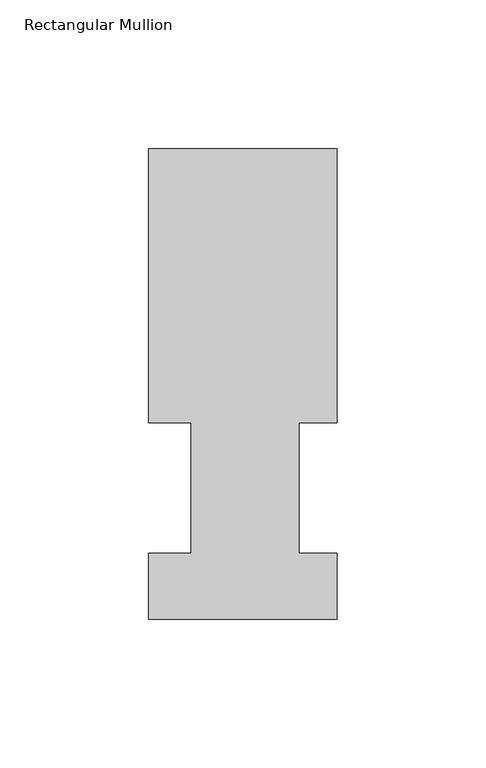
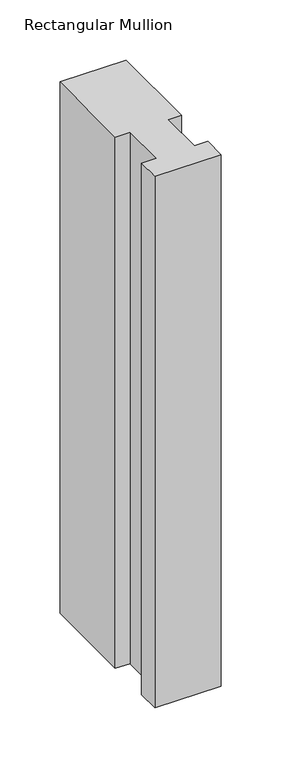
"""IFC4 building model written with IfcOpenShell, lengths in millimetres: member geometry, Rectangular Mullion."""

from ifc_helpers import new_model, si_unit, frame, origin, place, context, project, spatial, polyline, outline, extrude, source, transform, mapped, element, save


def rectangular_mullion_82afb40b(model_context):
    return source(origin(), model_context, "Body", "SweptSolid", [
        extrude(outline(polyline([(-63.5, 158.2308875), (0.0, 158.2308875), (0.0, 66.0796875), (-12.8524, 66.0796875), (-12.8524, 22.1122875), (0.0, 22.1122875), (0.0, -0.0080424), (-63.5, -0.0080424), (-63.5, 22.1122875), (-49.2125, 22.1122875), (-49.2125, 66.0796875), (-63.5, 66.0796875), (-63.5, 158.2308875)])), frame((0.0, 0.0, -539.75), z_axis=(0.0, 0.0, 1.0), x_axis=(1.0, 0.0, 0.0)), (0.0, 0.0, 1.0), 539.75),
    ])


if __name__ == "__main__":
    model = new_model("IFC4")
    model_context = context("Model", 3, world=origin())
    ifc_project = project(units=[si_unit("LENGTHUNIT", "METRE", prefix="MILLI")], contexts=[model_context])
    site = spatial("IfcSite", under=ifc_project)
    building = spatial("IfcBuilding", under=site)
    placement = place(None, origin())
    rectangular_mullion_shape = rectangular_mullion_82afb40b(model_context)
    element("IfcMember", 1, ObjectType="Rectangular Mullion", at=placement, inside=building, context=model_context, shape_type="MappedRepresentation", body=[
        mapped(rectangular_mullion_shape, transform((0.0, 0.0, 0.0), x_axis=(1.0, 0.0, 0.0), y_axis=(0.0, 1.0, 0.0), z_axis=(0.0, 0.0, 1.0))),
    ])
    save(model, "model.ifc")
